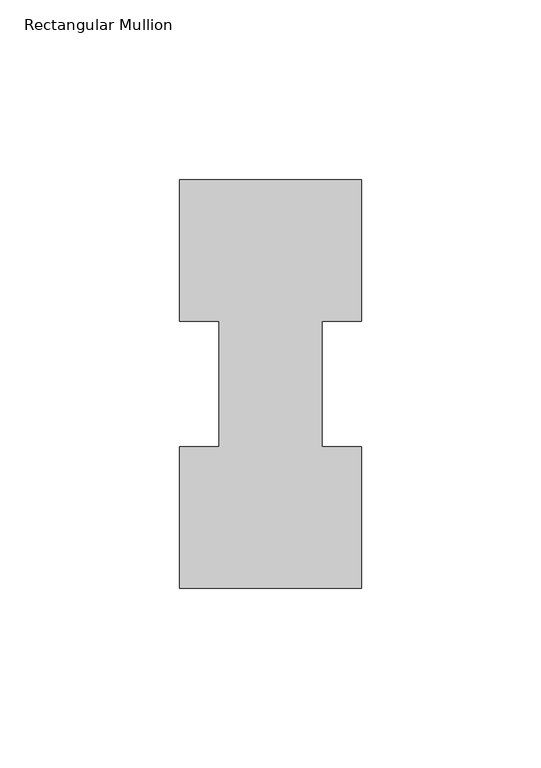
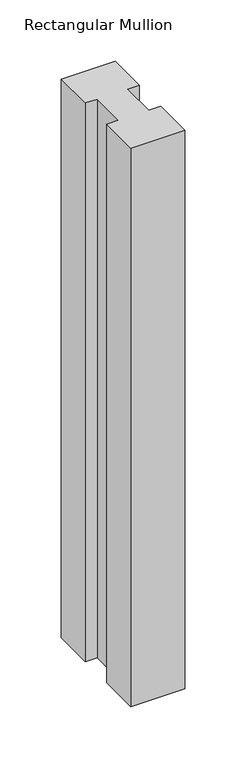
"""IFC4 building model written with IfcOpenShell, lengths in millimetres: member geometry, Rectangular Mullion."""

from ifc_helpers import new_model, si_unit, frame, origin, place, context, project, spatial, polyline, outline, extrude, source, transform, mapped, element, save


def rectangular_mullion_ef150613(model_context):
    return source(origin(), model_context, "Body", "SweptSolid", [
        extrude(outline(polyline([(-50.8, 114.017425), (0.0, 114.017425), (0.0, 74.596625), (-11.0998, 74.596625), (-11.0998, 39.646225), (0.0, 39.646225), (0.0, 0.225425), (-50.8, 0.225425), (-50.8, 39.646225), (-39.6875, 39.646225), (-39.6875, 74.596625), (-50.8, 74.596625), (-50.8, 114.017425)])), frame((0.0, 0.0, -557.2125), z_axis=(0.0, 0.0, 1.0), x_axis=(1.0, 0.0, 0.0)), (0.0, 0.0, 1.0), 557.2125),
    ])


if __name__ == "__main__":
    model = new_model("IFC4")
    model_context = context("Model", 3, world=origin())
    ifc_project = project(units=[si_unit("LENGTHUNIT", "METRE", prefix="MILLI")], contexts=[model_context])
    site = spatial("IfcSite", under=ifc_project)
    building = spatial("IfcBuilding", under=site)
    placement = place(None, origin())
    rectangular_mullion_shape = rectangular_mullion_ef150613(model_context)
    element("IfcMember", 1, ObjectType="Rectangular Mullion", at=placement, inside=building, context=model_context, shape_type="MappedRepresentation", body=[
        mapped(rectangular_mullion_shape, transform((0.0, 0.0, 0.0), x_axis=(1.0, 0.0, 0.0), y_axis=(0.0, 1.0, 0.0), z_axis=(0.0, 0.0, 1.0))),
    ])
    save(model, "model.ifc")
